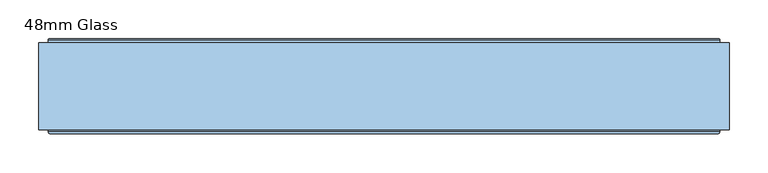
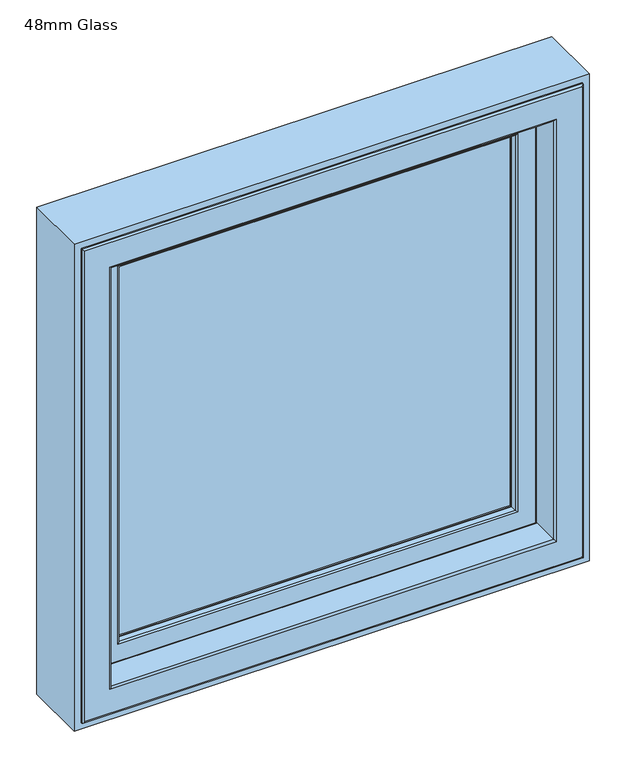
"""IFC4 building model written with IfcOpenShell, lengths in millimetres: window geometry, 48mm Glass."""

from ifc_helpers import new_model, si_unit, frame, origin, place, context, project, spatial, polyline, ellipse_curve, outline, extrude, source, transform, mapped, element, save
from ifc_brep_helpers import plane_surface, cylinder_surface, revolved_surface, advanced_brep


def window_48mm_glass_142c1bab(model_context):
    return source(origin(), model_context, "Body", "SolidModel", [
        extrude(outline(polyline([(354.0, 93.0110098), (-354.0, 93.0110098), (-354.0, 141.0110098), (354.0, 141.0110098), (354.0, 93.0110098)])), frame((0.0, 0.0, 890.0), z_axis=(0.0, 0.0, 1.0), x_axis=(1.0, 0.0, 0.0)), (0.0, 0.0, 1.0), 708.0),
        advanced_brep(
        [(396.5, 148.6168436, 1640.5), (396.5, 145.5999985, 1640.5), (396.5, 145.5999985, 847.5), (396.5, 148.6168436, 847.5), (399.0, 153.0, 1643.0), (400.0, 152.0, 1644.0), (400.0, 152.0, 844.0), (399.0, 153.0, 845.0), (340.0012615, 141.0, 1584.0012615), (340.0012615, 142.3599713, 1584.0012615), (340.0012615, 142.3599713, 903.9987385), (340.0012615, 141.0, 903.9987385), (358.3697055, 93.0110098, 1602.3697055), (364.2620126, 141.0, 1608.2620126), (364.2620126, 141.0, 879.7379874), (358.3697055, 93.0110098, 885.6302945), (340.0013518, 90.0110098, 1584.0013518), (340.0013518, 93.0110098, 1584.0013518), (340.0013518, 93.0110098, 903.9986482), (340.0013518, 90.0110098, 903.9986482), (340.0232044, 88.8030982, 1584.0232044), (341.001352, 90.0110098, 1585.001352), (341.001352, 90.0110098, 902.998648), (340.0232044, 88.8030982, 903.9767956), (341.8120427, 80.376265, 1585.8120427), (341.8120427, 80.376265, 902.1879573), (344.7464855, 78.0, 1588.7464855), (344.7464855, 78.0, 899.2535145), (377.5618051, 79.7562613, 1621.5618051), (375.5767128, 78.0, 1619.5767128), (375.5767128, 78.0, 868.4232872), (377.5618051, 79.7562613, 866.4381949), (379.5562854, 96.0, 1623.5562854), (379.5562854, 96.0, 864.4437146), (391.0, 145.5999985, 1635.0), (391.0, 96.0, 1635.0), (391.0, 96.0, 853.0), (391.0, 145.5999985, 853.0), (-396.5, 145.5999985, 847.5), (-396.5, 148.6168436, 847.5), (-400.0, 152.0, 844.0), (-399.0, 153.0, 845.0), (-340.0012615, 142.3599713, 903.9987385), (-340.0012615, 141.0, 903.9987385), (-364.2620126, 141.0, 879.7379874), (-358.3697055, 93.0110098, 885.6302945), (-340.0013518, 93.0110098, 903.9986482), (-340.0013518, 90.0110098, 903.9986482), (-341.001352, 90.0110098, 902.998648), (-340.0232044, 88.8030982, 903.9767956), (-341.8120427, 80.376265, 902.1879573), (-344.7464855, 78.0, 899.2535145), (-375.5767128, 78.0, 868.4232872), (-377.5618051, 79.7562613, 866.4381949), (-379.5562854, 96.0, 864.4437146), (-391.0, 96.0, 853.0), (-391.0, 145.5999985, 853.0), (-396.5, 145.5999985, 1640.5), (-396.5, 148.6168436, 1640.5), (-400.0, 152.0, 1644.0), (-399.0, 153.0, 1643.0), (-340.0012615, 142.3599713, 1584.0012615), (-340.0012615, 141.0, 1584.0012615), (-364.2620126, 141.0, 1608.2620126), (-358.3697055, 93.0110098, 1602.3697055), (-340.0013518, 93.0110098, 1584.0013518), (-340.0013518, 90.0110098, 1584.0013518), (-341.001352, 90.0110098, 1585.001352), (-340.0232044, 88.8030982, 1584.0232044), (-341.8120427, 80.376265, 1585.8120427), (-344.7464855, 78.0, 1588.7464855), (-375.5767128, 78.0, 1619.5767128), (-377.5618051, 79.7562613, 1621.5618051), (-379.5562854, 96.0, 1623.5562854), (-391.0, 96.0, 1635.0), (-391.0, 145.5999985, 1635.0), (406.1997151, 149.6865589, 837.8002849), (-406.1997151, 149.6865589, 837.8002849), (-406.1997151, 149.6865589, 1650.1997151), (406.1997151, 149.6865589, 1650.1997151), (400.0, 149.6865589, 1644.0), (-400.0, 149.6865589, 1644.0), (-400.0, 149.6865589, 844.0), (400.0, 149.6865589, 844.0), (406.1997151, 148.6168436, 1650.1997151), (406.1997151, 148.6168436, 837.8002849), (-406.1997151, 148.6168436, 837.8002849), (-406.1997151, 148.6168436, 1650.1997151), (342.8249234, 151.5957532, 1586.8249234), (344.5279664, 153.0, 1588.5279664), (344.5279664, 153.0, 899.4720336), (342.8249234, 151.5957532, 901.1750766), (-344.5279664, 153.0, 899.4720336), (-342.8249234, 151.5957532, 901.1750766), (-344.5279664, 153.0, 1588.5279664), (-342.8249234, 151.5957532, 1586.8249234)],
        [
            (0, 1),
            (1, 2),
            (2, 3),
            (3, 0),
            (4, 5, ellipse_curve(frame((399.0, 152.0, 1643.0), z_axis=(0.7071067811865475, 0.0, -0.7071067811865475), x_axis=(0.7071067811865474, 0.0, 0.7071067811865476)), 1.4142136, 1.0)),
            (5, 6),
            (6, 7, ellipse_curve(frame((399.0, 152.0, 845.0), z_axis=(0.7071067811865475, 0.0, 0.7071067811865475), x_axis=(-0.7071067811865474, 0.0, 0.7071067811865476)), 1.4142136, 1.0)),
            (7, 4),
            (8, 9),
            (9, 10),
            (10, 11),
            (11, 8),
            (12, 13),
            (13, 14),
            (14, 15),
            (15, 12),
            (16, 17),
            (17, 18),
            (18, 19),
            (19, 16),
            (20, 21, ellipse_curve(frame((341.001352, 89.0110098, 1585.001352), z_axis=(0.7071067811865475, 0.0, -0.7071067811865475), x_axis=(0.7071067811865474, 0.0, 0.7071067811865476)), 1.4142136, 1.0)),
            (21, 22),
            (22, 23, ellipse_curve(frame((341.001352, 89.0110098, 902.998648), z_axis=(0.7071067811865475, 0.0, 0.7071067811865475), x_axis=(-0.7071067811865474, 0.0, 0.7071067811865476)), 1.4142136, 1.0)),
            (23, 20),
            (24, 20),
            (23, 25),
            (25, 24),
            (26, 24, ellipse_curve(frame((344.7464855, 81.0, 1588.7464855), z_axis=(0.7071067811865475, 0.0, -0.7071067811865475), x_axis=(0.7071067811865474, 0.0, 0.7071067811865476)), 4.2426407, 3.0)),
            (25, 27, ellipse_curve(frame((344.7464855, 81.0, 899.2535145), z_axis=(0.7071067811865475, 0.0, 0.7071067811865475), x_axis=(-0.7071067811865474, 0.0, 0.7071067811865476)), 4.2426407, 3.0)),
            (27, 26),
            (28, 29, ellipse_curve(frame((375.5767128, 80.0, 1619.5767128), z_axis=(0.7071067811865475, 0.0, -0.7071067811865475), x_axis=(0.7071067811865474, 0.0, 0.7071067811865476)), 2.8284271, 2.0)),
            (29, 30),
            (30, 31, ellipse_curve(frame((375.5767128, 80.0, 868.4232872), z_axis=(0.7071067811865475, 0.0, 0.7071067811865475), x_axis=(-0.7071067811865474, 0.0, 0.7071067811865476)), 2.8284271, 2.0)),
            (31, 28),
            (32, 28),
            (31, 33),
            (33, 32),
            (34, 35),
            (35, 36),
            (36, 37),
            (37, 34),
            (2, 38),
            (38, 39),
            (39, 3),
            (6, 40),
            (40, 41, ellipse_curve(frame((-399.0, 152.0, 845.0), z_axis=(0.7071067811865475, 0.0, -0.7071067811865475), x_axis=(0.7071067811865476, 0.0, 0.7071067811865474)), 1.4142136, 1.0)),
            (41, 7),
            (10, 42),
            (42, 43),
            (43, 11),
            (14, 44),
            (44, 45),
            (45, 15),
            (18, 46),
            (46, 47),
            (47, 19),
            (22, 48),
            (48, 49, ellipse_curve(frame((-341.001352, 89.0110098, 902.998648), z_axis=(0.7071067811865475, 0.0, -0.7071067811865475), x_axis=(0.7071067811865476, 0.0, 0.7071067811865474)), 1.4142136, 1.0)),
            (49, 23),
            (49, 50),
            (50, 25),
            (50, 51, ellipse_curve(frame((-344.7464855, 81.0, 899.2535145), z_axis=(0.7071067811865475, 0.0, -0.7071067811865475), x_axis=(0.7071067811865476, 0.0, 0.7071067811865474)), 4.2426407, 3.0)),
            (51, 27),
            (30, 52),
            (52, 53, ellipse_curve(frame((-375.5767128, 80.0, 868.4232872), z_axis=(0.7071067811865475, 0.0, -0.7071067811865475), x_axis=(0.7071067811865476, 0.0, 0.7071067811865474)), 2.8284271, 2.0)),
            (53, 31),
            (53, 54),
            (54, 33),
            (36, 55),
            (55, 56),
            (56, 37),
            (38, 57),
            (57, 58),
            (58, 39),
            (40, 59),
            (59, 60, ellipse_curve(frame((-399.0, 152.0, 1643.0), z_axis=(-0.7071067811865475, 0.0, -0.7071067811865475), x_axis=(0.7071067811865474, 0.0, -0.7071067811865476)), 1.4142136, 1.0)),
            (60, 41),
            (42, 61),
            (61, 62),
            (62, 43),
            (44, 63),
            (63, 64),
            (64, 45),
            (46, 65),
            (65, 66),
            (66, 47),
            (48, 67),
            (67, 68, ellipse_curve(frame((-341.001352, 89.0110098, 1585.001352), z_axis=(-0.7071067811865475, 0.0, -0.7071067811865475), x_axis=(0.7071067811865474, 0.0, -0.7071067811865476)), 1.4142136, 1.0)),
            (68, 49),
            (68, 69),
            (69, 50),
            (69, 70, ellipse_curve(frame((-344.7464855, 81.0, 1588.7464855), z_axis=(-0.7071067811865475, 0.0, -0.7071067811865475), x_axis=(0.7071067811865474, 0.0, -0.7071067811865476)), 4.2426407, 3.0)),
            (70, 51),
            (52, 71),
            (71, 72, ellipse_curve(frame((-375.5767128, 80.0, 1619.5767128), z_axis=(-0.7071067811865475, 0.0, -0.7071067811865475), x_axis=(0.7071067811865474, 0.0, -0.7071067811865476)), 2.8284271, 2.0)),
            (72, 53),
            (72, 73),
            (73, 54),
            (55, 74),
            (74, 75),
            (75, 56),
            (1, 57),
            (75, 34),
            (0, 58),
            (76, 77),
            (77, 78),
            (78, 79),
            (79, 76),
            (80, 81),
            (81, 82),
            (82, 83),
            (83, 80),
            (59, 5),
            (4, 60),
            (61, 9),
            (8, 62),
            (13, 63),
            (12, 64),
            (17, 65),
            (16, 66),
            (21, 67),
            (20, 68),
            (24, 69),
            (26, 70),
            (29, 71),
            (28, 72),
            (32, 73),
            (35, 74),
            (79, 84),
            (84, 85),
            (85, 76),
            (5, 80),
            (83, 6),
            (85, 86),
            (86, 77),
            (82, 40),
            (86, 87),
            (87, 78),
            (81, 59),
            (84, 87),
            (88, 89, ellipse_curve(frame((344.7375329, 151.0110098, 1588.7375329), z_axis=(0.7071067811865475, 0.0, -0.7071067811865475), x_axis=(0.7071067811865474, 0.0, 0.7071067811865476)), 2.8284271, 2.0)),
            (89, 90),
            (90, 91, ellipse_curve(frame((344.7375329, 151.0110098, 899.2624671), z_axis=(0.7071067811865475, 0.0, 0.7071067811865475), x_axis=(-0.7071067811865474, 0.0, 0.7071067811865476)), 2.8284271, 2.0)),
            (91, 88),
            (9, 88),
            (91, 10),
            (90, 92),
            (92, 93, ellipse_curve(frame((-344.7375329, 151.0110098, 899.2624671), z_axis=(0.7071067811865475, 0.0, -0.7071067811865475), x_axis=(0.7071067811865476, 0.0, 0.7071067811865474)), 2.8284271, 2.0)),
            (93, 91),
            (93, 42),
            (92, 94),
            (94, 95, ellipse_curve(frame((-344.7375329, 151.0110098, 1588.7375329), z_axis=(-0.7071067811865475, 0.0, -0.7071067811865475), x_axis=(0.7071067811865474, 0.0, -0.7071067811865476)), 2.8284271, 2.0)),
            (95, 93),
            (95, 61),
            (89, 94),
            (88, 95),
        ],
        [
            plane_surface(frame((396.5, 145.5999985, 1640.5), z_axis=(1.0, 0.0, 0.0), x_axis=(0.0, 0.0, -1.0))),
            cylinder_surface(frame((399.0, 152.0, 1635.0), z_axis=(0.0, 0.0, 1.0), x_axis=(0.0, -1.0, 0.0)), 1.0),
            plane_surface(frame((340.0012615, 142.3599713, 1584.0012615), z_axis=(-1.0, 0.0, 0.0), x_axis=(0.0, 0.0, -1.0))),
            plane_surface(frame((364.2620126, 141.0, 1608.2620126), z_axis=(-0.9925461516413232, 0.12186934340513839, 0.0), x_axis=(0.0, 0.0, -1.0))),
            plane_surface(frame((340.0013518, 93.0110098, 1584.0013518), z_axis=(-1.0, 0.0, 0.0), x_axis=(0.0, 0.0, -1.0))),
            cylinder_surface(frame((341.001352, 89.0110098, 1635.0), z_axis=(0.0, 0.0, 1.0), x_axis=(0.0, -1.0, 0.0)), 1.0),
            plane_surface(frame((340.0232044, 88.8030982, 1584.0232044), z_axis=(-0.9782028159557521, -0.2076517538000511, 0.0), x_axis=(0.0, 0.0, -1.0))),
            cylinder_surface(frame((344.7464855, 81.0, 1635.0), z_axis=(0.0, 0.0, 1.0), x_axis=(0.0, -1.0, 0.0)), 3.0),
            cylinder_surface(frame((375.5767128, 80.0, 1635.0), z_axis=(0.0, 0.0, 1.0), x_axis=(0.0, -1.0, 0.0)), 2.0),
            plane_surface(frame((377.5618051, 79.7562613, 1621.5618051), z_axis=(0.9925461516416152, -0.12186934340276044, 0.0), x_axis=(0.0, 0.0, -1.0))),
            plane_surface(frame((391.0, 96.0, 1635.0), z_axis=(1.0, 0.0, 0.0), x_axis=(0.0, 0.0, -1.0))),
            plane_surface(frame((396.5, 145.5999985, 847.5), z_axis=(0.0, 0.0, -1.0), x_axis=(-1.0, 0.0, 0.0))),
            cylinder_surface(frame((391.0, 152.0, 845.0), z_axis=(1.0, 0.0, 0.0), x_axis=(0.0, -1.0, 0.0)), 1.0),
            plane_surface(frame((340.0012615, 142.3599713, 903.9987385), z_axis=(0.0, 0.0, 1.0), x_axis=(-1.0, 0.0, 0.0))),
            plane_surface(frame((364.2620126, 141.0, 879.7379874), z_axis=(0.0, 0.12186934340513839, 0.9925461516413232), x_axis=(-1.0, 0.0, 0.0))),
            plane_surface(frame((340.0013518, 93.0110098, 903.9986482), z_axis=(0.0, 0.0, 1.0), x_axis=(-1.0, 0.0, 0.0))),
            cylinder_surface(frame((391.0, 89.0110098, 902.998648), z_axis=(1.0, 0.0, 0.0), x_axis=(0.0, -1.0, 0.0)), 1.0),
            plane_surface(frame((340.0232044, 88.8030982, 903.9767956), z_axis=(0.0, -0.2076517538000511, 0.9782028159557521), x_axis=(-1.0, 0.0, 0.0))),
            cylinder_surface(frame((391.0, 81.0, 899.2535145), z_axis=(1.0, 0.0, 0.0), x_axis=(0.0, -1.0, 0.0)), 3.0),
            cylinder_surface(frame((391.0, 80.0, 868.4232872), z_axis=(1.0, 0.0, 0.0), x_axis=(0.0, -1.0, 0.0)), 2.0),
            plane_surface(frame((377.5618051, 79.7562613, 866.4381949), z_axis=(0.0, -0.12186934340276044, -0.9925461516416152), x_axis=(-1.0, 0.0, 0.0))),
            plane_surface(frame((391.0, 96.0, 853.0), z_axis=(0.0, 0.0, -1.0), x_axis=(-1.0, 0.0, 0.0))),
            plane_surface(frame((-396.5, 145.5999985, 847.5), z_axis=(-1.0, 0.0, 0.0), x_axis=(0.0, 0.0, 1.0))),
            cylinder_surface(frame((-399.0, 152.0, 853.0), z_axis=(0.0, 0.0, -1.0), x_axis=(0.0, -1.0, 0.0)), 1.0),
            plane_surface(frame((-340.0012615, 142.3599713, 903.9987385), z_axis=(1.0, 0.0, 0.0), x_axis=(0.0, 0.0, 1.0))),
            plane_surface(frame((-364.2620126, 141.0, 879.7379874), z_axis=(0.9925461516413232, 0.12186934340513839, 0.0), x_axis=(0.0, 0.0, 1.0))),
            plane_surface(frame((-340.0013518, 93.0110098, 903.9986482), z_axis=(1.0, 0.0, 0.0), x_axis=(0.0, 0.0, 1.0))),
            cylinder_surface(frame((-341.001352, 89.0110098, 853.0), z_axis=(0.0, 0.0, -1.0), x_axis=(0.0, -1.0, 0.0)), 1.0),
            plane_surface(frame((-340.0232044, 88.8030982, 903.9767956), z_axis=(0.9782028159557521, -0.2076517538000511, 0.0), x_axis=(0.0, 0.0, 1.0))),
            cylinder_surface(frame((-344.7464855, 81.0, 853.0), z_axis=(0.0, 0.0, -1.0), x_axis=(0.0, -1.0, 0.0)), 3.0),
            cylinder_surface(frame((-375.5767128, 80.0, 853.0), z_axis=(0.0, 0.0, -1.0), x_axis=(0.0, -1.0, 0.0)), 2.0),
            plane_surface(frame((-377.5618051, 79.7562613, 866.4381949), z_axis=(-0.9925461516416152, -0.12186934340276044, 0.0), x_axis=(0.0, 0.0, 1.0))),
            plane_surface(frame((-391.0, 96.0, 853.0), z_axis=(-1.0, 0.0, 0.0), x_axis=(0.0, 0.0, 1.0))),
            plane_surface(frame((-391.0, 145.5999985, 1635.0), z_axis=(0.0, -1.0, 0.0), x_axis=(1.0, 0.0, 0.0))),
            plane_surface(frame((-396.5, 145.5999985, 1640.5), z_axis=(0.0, 0.0, 1.0), x_axis=(1.0, 0.0, 0.0))),
            plane_surface(frame((-406.1997151, 149.6865589, 1650.1997151), z_axis=(0.0, 1.0, 0.0), x_axis=(1.0, 0.0, 0.0))),
            cylinder_surface(frame((-391.0, 152.0, 1643.0), z_axis=(-1.0, 0.0, 0.0), x_axis=(0.0, -1.0, 0.0)), 1.0),
            plane_surface(frame((-340.0012615, 142.3599713, 1584.0012615), z_axis=(0.0, 0.0, -1.0), x_axis=(1.0, 0.0, 0.0))),
            plane_surface(frame((-340.0012615, 141.0, 1584.0012615), z_axis=(0.0, -1.0, 0.0), x_axis=(1.0, 0.0, 0.0))),
            plane_surface(frame((-364.2620126, 141.0, 1608.2620126), z_axis=(0.0, 0.12186934340513839, -0.9925461516413232), x_axis=(1.0, 0.0, 0.0))),
            plane_surface(frame((-358.3697055, 93.0110098, 1602.3697055), z_axis=(0.0, 1.0, 0.0), x_axis=(1.0, 0.0, 0.0))),
            plane_surface(frame((-340.0013518, 93.0110098, 1584.0013518), z_axis=(0.0, 0.0, -1.0), x_axis=(1.0, 0.0, 0.0))),
            plane_surface(frame((-340.0013518, 90.0110098, 1584.0013518), z_axis=(0.0, -1.0, 0.0), x_axis=(1.0, 0.0, 0.0))),
            cylinder_surface(frame((-391.0, 89.0110098, 1585.001352), z_axis=(-1.0, 0.0, 0.0), x_axis=(0.0, -1.0, 0.0)), 1.0),
            plane_surface(frame((-340.0232044, 88.8030982, 1584.0232044), z_axis=(0.0, -0.2076517538000511, -0.9782028159557521), x_axis=(1.0, 0.0, 0.0))),
            cylinder_surface(frame((-391.0, 81.0, 1588.7464855), z_axis=(-1.0, 0.0, 0.0), x_axis=(0.0, -1.0, 0.0)), 3.0),
            plane_surface(frame((-344.7464855, 78.0, 1588.7464855), z_axis=(0.0, -1.0, 0.0), x_axis=(1.0, 0.0, 0.0))),
            cylinder_surface(frame((-391.0, 80.0, 1619.5767128), z_axis=(-1.0, 0.0, 0.0), x_axis=(0.0, -1.0, 0.0)), 2.0),
            plane_surface(frame((-377.5618051, 79.7562613, 1621.5618051), z_axis=(0.0, -0.12186934340276044, 0.9925461516416152), x_axis=(1.0, 0.0, 0.0))),
            plane_surface(frame((-379.5562854, 96.0, 1623.5562854), z_axis=(0.0, -1.0, 0.0), x_axis=(1.0, 0.0, 0.0))),
            plane_surface(frame((-391.0, 96.0, 1635.0), z_axis=(0.0, 0.0, 1.0), x_axis=(1.0, 0.0, 0.0))),
            plane_surface(frame((406.1997151, 148.6168436, 1650.1997151), z_axis=(1.0, 0.0, 0.0), x_axis=(0.0, 0.0, -1.0))),
            plane_surface(frame((400.0, 149.6865589, 1644.0), z_axis=(1.0, 0.0, 0.0), x_axis=(0.0, 0.0, -1.0))),
            plane_surface(frame((406.1997151, 148.6168436, 837.8002849), z_axis=(0.0, 0.0, -1.0), x_axis=(-1.0, 0.0, 0.0))),
            plane_surface(frame((400.0, 149.6865589, 844.0), z_axis=(0.0, 0.0, -1.0), x_axis=(-1.0, 0.0, 0.0))),
            plane_surface(frame((-406.1997151, 148.6168436, 837.8002849), z_axis=(-1.0, 0.0, 0.0), x_axis=(0.0, 0.0, 1.0))),
            plane_surface(frame((-400.0, 149.6865589, 844.0), z_axis=(-1.0, 0.0, 0.0), x_axis=(0.0, 0.0, 1.0))),
            plane_surface(frame((-396.5, 148.6168436, 1640.5), z_axis=(0.0, -1.0, 0.0), x_axis=(1.0, 0.0, 0.0))),
            plane_surface(frame((-406.1997151, 148.6168436, 1650.1997151), z_axis=(0.0, 0.0, 1.0), x_axis=(1.0, 0.0, 0.0))),
            plane_surface(frame((-400.0, 149.6865589, 1644.0), z_axis=(0.0, 0.0, 1.0), x_axis=(1.0, 0.0, 0.0))),
            cylinder_surface(frame((344.7375329, 151.0110098, 1635.0), z_axis=(0.0, 0.0, 1.0), x_axis=(0.0, -1.0, 0.0)), 2.0),
            plane_surface(frame((342.8249234, 151.5957532, 1586.8249234), z_axis=(-0.9563047559630313, 0.2923717047227505, 0.0), x_axis=(0.0, 0.0, -1.0))),
            cylinder_surface(frame((391.0, 151.0110098, 899.2624671), z_axis=(1.0, 0.0, 0.0), x_axis=(0.0, -1.0, 0.0)), 2.0),
            plane_surface(frame((342.8249234, 151.5957532, 901.1750766), z_axis=(0.0, 0.2923717047227505, 0.9563047559630313), x_axis=(-1.0, 0.0, 0.0))),
            cylinder_surface(frame((-344.7375329, 151.0110098, 853.0), z_axis=(0.0, 0.0, -1.0), x_axis=(0.0, -1.0, 0.0)), 2.0),
            plane_surface(frame((-342.8249234, 151.5957532, 901.1750766), z_axis=(0.9563047559630313, 0.2923717047227505, 0.0), x_axis=(0.0, 0.0, 1.0))),
            plane_surface(frame((-399.0, 153.0, 1643.0), z_axis=(0.0, 1.0, 0.0), x_axis=(1.0, 0.0, 0.0))),
            cylinder_surface(frame((-391.0, 151.0110098, 1588.7375329), z_axis=(-1.0, 0.0, 0.0), x_axis=(0.0, -1.0, 0.0)), 2.0),
            plane_surface(frame((-342.8249234, 151.5957532, 1586.8249234), z_axis=(0.0, 0.2923717047227505, -0.9563047559630313), x_axis=(1.0, 0.0, 0.0))),
        ],
        [
            (0, [[1, 2, 3, 4]]),
            (1, [[5, 6, 7, 8]]),
            (2, [[9, 10, 11, 12]]),
            (3, [[13, 14, 15, 16]]),
            (4, [[17, 18, 19, 20]]),
            (5, [[21, 22, 23, 24]]),
            (6, [[25, -24, 26, 27]]),
            (7, [[28, -27, 29, 30]]),
            (8, [[31, 32, 33, 34]]),
            (9, [[35, -34, 36, 37]]),
            (10, [[38, 39, 40, 41]]),
            (11, [[-3, 42, 43, 44]]),
            (12, [[-7, 45, 46, 47]]),
            (13, [[-11, 48, 49, 50]]),
            (14, [[-15, 51, 52, 53]]),
            (15, [[-19, 54, 55, 56]]),
            (16, [[-23, 57, 58, 59]]),
            (17, [[-26, -59, 60, 61]]),
            (18, [[-29, -61, 62, 63]]),
            (19, [[-33, 64, 65, 66]]),
            (20, [[-36, -66, 67, 68]]),
            (21, [[-40, 69, 70, 71]]),
            (22, [[-43, 72, 73, 74]]),
            (23, [[-46, 75, 76, 77]]),
            (24, [[-49, 78, 79, 80]]),
            (25, [[-52, 81, 82, 83]]),
            (26, [[-55, 84, 85, 86]]),
            (27, [[-58, 87, 88, 89]]),
            (28, [[-60, -89, 90, 91]]),
            (29, [[-62, -91, 92, 93]]),
            (30, [[-65, 94, 95, 96]]),
            (31, [[-67, -96, 97, 98]]),
            (32, [[-70, 99, 100, 101]]),
            (33, [[102, -72, -42, -2], [-71, -101, 103, -41]]),
            (34, [[-73, -102, -1, 104]]),
            (35, [[105, 106, 107, 108], [109, 110, 111, 112]]),
            (36, [[-76, 113, -5, 114]]),
            (37, [[-79, 115, -9, 116]]),
            (38, [[117, -81, -51, -14], [-50, -80, -116, -12]]),
            (39, [[-82, -117, -13, 118]]),
            (40, [[-53, -83, -118, -16], [119, -84, -54, -18]]),
            (41, [[-85, -119, -17, 120]]),
            (42, [[121, -87, -57, -22], [-56, -86, -120, -20]]),
            (43, [[-88, -121, -21, 122]]),
            (44, [[-90, -122, -25, 123]]),
            (45, [[-92, -123, -28, 124]]),
            (46, [[125, -94, -64, -32], [-63, -93, -124, -30]]),
            (47, [[-95, -125, -31, 126]]),
            (48, [[-97, -126, -35, 127]]),
            (49, [[128, -99, -69, -39], [-68, -98, -127, -37]]),
            (50, [[-100, -128, -38, -103]]),
            (51, [[129, 130, 131, -108]]),
            (52, [[132, -112, 133, -6]]),
            (53, [[-131, 134, 135, -105]]),
            (54, [[-133, -111, 136, -45]]),
            (55, [[-135, 137, 138, -106]]),
            (56, [[-136, -110, 139, -75]]),
            (57, [[140, -137, -134, -130], [-44, -74, -104, -4]]),
            (58, [[-138, -140, -129, -107]]),
            (59, [[-139, -109, -132, -113]]),
            (60, [[141, 142, 143, 144]]),
            (61, [[145, -144, 146, -10]]),
            (62, [[-143, 147, 148, 149]]),
            (63, [[-146, -149, 150, -48]]),
            (64, [[-148, 151, 152, 153]]),
            (65, [[-150, -153, 154, -78]]),
            (66, [[-47, -77, -114, -8], [155, -151, -147, -142]]),
            (67, [[-152, -155, -141, 156]]),
            (68, [[-154, -156, -145, -115]]),
        ],
    ),
        advanced_brep(
        [(-383.5, 91.0, 1627.5), (-382.0, 89.5, 1626.0), (-382.0, 89.5, 862.0), (-383.5, 91.0, 860.5), (-382.0, 35.0, 1626.0), (-382.0, 35.0, 862.0), (382.0, 89.5, 862.0), (383.5, 91.0, 860.5), (398.6498733, 91.0, 1642.6498733), (398.6498733, 91.0, 845.3501267), (-398.6498733, 91.0, 845.3501267), (-398.6498733, 91.0, 1642.6498733), (383.5, 91.0, 1627.5), (-400.1386925, 92.317196, 1644.1386925), (-400.1386925, 92.317196, 843.8613075), (400.1386925, 92.317196, 843.8613075), (-406.7857488, 146.453125, 1650.7857488), (-406.7857488, 146.453125, 837.2142512), (406.7857488, 146.453125, 837.2142512), (407.6, 146.453125, 1651.6), (407.6, 146.453125, 836.4), (-407.6, 146.453125, 836.4), (-407.6, 146.453125, 1651.6), (406.7857488, 146.453125, 1650.7857488), (-407.6, 153.0, 1651.6), (-407.6, 153.0, 836.4), (407.6, 153.0, 836.4), (-408.6, 154.0, 1652.6), (-408.6, 154.0, 835.4), (408.6, 154.0, 835.4), (431.0, 154.0, 1675.0), (431.0, 154.0, 813.0), (-431.0, 154.0, 813.0), (-431.0, 154.0, 1675.0), (408.6, 154.0, 1652.6), (-432.0, 153.0, 1676.0), (-432.0, 153.0, 812.0), (432.0, 153.0, 812.0), (-432.0, 35.0, 1676.0), (-432.0, 35.0, 812.0), (432.0, 35.0, 812.0), (-429.0, 32.0, 1673.0), (-429.0, 32.0, 815.0), (429.0, 32.0, 815.0), (429.0, 32.0, 1673.0), (385.0, 32.0, 1629.0), (385.0, 32.0, 859.0), (-385.0, 32.0, 859.0), (-385.0, 32.0, 1629.0), (382.0, 35.0, 862.0), (382.0, 89.5, 1626.0), (400.1386925, 92.317196, 1644.1386925), (407.6, 153.0, 1651.6), (432.0, 153.0, 1676.0), (432.0, 35.0, 1676.0), (382.0, 35.0, 1626.0)],
        [
            (0, 1, ellipse_curve(frame((-383.5, 89.5, 1627.5), z_axis=(-0.7071067811865475, 0.0, -0.7071067811865475), x_axis=(-0.7071067811865474, 0.0, 0.7071067811865476)), 2.1213203, 1.5)),
            (1, 2),
            (2, 3, ellipse_curve(frame((-383.5, 89.5, 860.5), z_axis=(-0.7071067811865475, 0.0, 0.7071067811865475), x_axis=(0.7071067811865474, 0.0, 0.7071067811865476)), 2.1213203, 1.5)),
            (3, 0),
            (1, 4),
            (4, 5),
            (5, 2),
            (2, 6),
            (6, 7, ellipse_curve(frame((383.5, 89.5, 860.5), z_axis=(-0.7071067811865475, 0.0, -0.7071067811865475), x_axis=(-0.7071067811865476, 0.0, 0.7071067811865474)), 2.1213203, 1.5)),
            (7, 3),
            (8, 9),
            (9, 10),
            (10, 11),
            (11, 8),
            (7, 12),
            (12, 0),
            (13, 11, ellipse_curve(frame((-398.6498733, 92.5, 1642.6498733), z_axis=(0.7071067811865475, 0.0, 0.7071067811865475), x_axis=(0.7071067811865474, 0.0, -0.7071067811865476)), 2.1213203, 1.5)),
            (10, 14, ellipse_curve(frame((-398.6498733, 92.5, 845.3501267), z_axis=(0.7071067811865475, 0.0, -0.7071067811865475), x_axis=(-0.7071067811865474, 0.0, -0.7071067811865476)), 2.1213203, 1.5)),
            (14, 13),
            (9, 15, ellipse_curve(frame((398.6498733, 92.5, 845.3501267), z_axis=(0.7071067811865475, 0.0, 0.7071067811865475), x_axis=(0.7071067811865476, 0.0, -0.7071067811865474)), 2.1213203, 1.5)),
            (15, 14),
            (16, 13),
            (14, 17),
            (17, 16),
            (15, 18),
            (18, 17),
            (19, 20),
            (20, 21),
            (21, 22),
            (22, 19),
            (18, 23),
            (23, 16),
            (24, 22),
            (21, 25),
            (25, 24),
            (20, 26),
            (26, 25),
            (27, 24, ellipse_curve(frame((-408.6, 153.0, 1652.6), z_axis=(-0.7071067811865475, 0.0, -0.7071067811865475), x_axis=(-0.7071067811865474, 0.0, 0.7071067811865476)), 1.4142136, 1.0)),
            (25, 28, ellipse_curve(frame((-408.6, 153.0, 835.4), z_axis=(-0.7071067811865475, 0.0, 0.7071067811865475), x_axis=(0.7071067811865474, 0.0, 0.7071067811865476)), 1.4142136, 1.0)),
            (28, 27),
            (26, 29, ellipse_curve(frame((408.6, 153.0, 835.4), z_axis=(-0.7071067811865475, 0.0, -0.7071067811865475), x_axis=(-0.7071067811865476, 0.0, 0.7071067811865474)), 1.4142136, 1.0)),
            (29, 28),
            (30, 31),
            (31, 32),
            (32, 33),
            (33, 30),
            (29, 34),
            (34, 27),
            (35, 33, ellipse_curve(frame((-431.0, 153.0, 1675.0), z_axis=(-0.7071067811865475, 0.0, -0.7071067811865475), x_axis=(-0.7071067811865474, 0.0, 0.7071067811865476)), 1.4142136, 1.0)),
            (32, 36, ellipse_curve(frame((-431.0, 153.0, 813.0), z_axis=(-0.7071067811865475, 0.0, 0.7071067811865475), x_axis=(0.7071067811865474, 0.0, 0.7071067811865476)), 1.4142136, 1.0)),
            (36, 35),
            (31, 37, ellipse_curve(frame((431.0, 153.0, 813.0), z_axis=(-0.7071067811865475, 0.0, -0.7071067811865475), x_axis=(-0.7071067811865476, 0.0, 0.7071067811865474)), 1.4142136, 1.0)),
            (37, 36),
            (38, 35),
            (36, 39),
            (39, 38),
            (37, 40),
            (40, 39),
            (41, 38, ellipse_curve(frame((-429.0, 35.0, 1673.0), z_axis=(-0.7071067811865475, 0.0, -0.7071067811865475), x_axis=(-0.7071067811865474, 0.0, 0.7071067811865476)), 4.2426407, 3.0)),
            (39, 42, ellipse_curve(frame((-429.0, 35.0, 815.0), z_axis=(-0.7071067811865475, 0.0, 0.7071067811865475), x_axis=(0.7071067811865474, 0.0, 0.7071067811865476)), 4.2426407, 3.0)),
            (42, 41),
            (40, 43, ellipse_curve(frame((429.0, 35.0, 815.0), z_axis=(-0.7071067811865475, 0.0, -0.7071067811865475), x_axis=(-0.7071067811865476, 0.0, 0.7071067811865474)), 4.2426407, 3.0)),
            (43, 42),
            (43, 44),
            (44, 41),
            (45, 46),
            (46, 47),
            (47, 48),
            (48, 45),
            (4, 48, ellipse_curve(frame((-385.0, 35.0, 1629.0), z_axis=(-0.7071067811865475, 0.0, -0.7071067811865475), x_axis=(-0.7071067811865474, 0.0, 0.7071067811865476)), 4.2426407, 3.0)),
            (47, 5, ellipse_curve(frame((-385.0, 35.0, 859.0), z_axis=(-0.7071067811865475, 0.0, 0.7071067811865475), x_axis=(0.7071067811865474, 0.0, 0.7071067811865476)), 4.2426407, 3.0)),
            (46, 49, ellipse_curve(frame((385.0, 35.0, 859.0), z_axis=(-0.7071067811865475, 0.0, -0.7071067811865475), x_axis=(-0.7071067811865476, 0.0, 0.7071067811865474)), 4.2426407, 3.0)),
            (49, 5),
            (49, 6),
            (6, 50),
            (50, 12, ellipse_curve(frame((383.5, 89.5, 1627.5), z_axis=(0.7071067811865475, 0.0, -0.7071067811865475), x_axis=(-0.7071067811865474, 0.0, -0.7071067811865476)), 2.1213203, 1.5)),
            (8, 51, ellipse_curve(frame((398.6498733, 92.5, 1642.6498733), z_axis=(-0.7071067811865475, 0.0, 0.7071067811865475), x_axis=(0.7071067811865474, 0.0, 0.7071067811865476)), 2.1213203, 1.5)),
            (51, 15),
            (51, 23),
            (19, 52),
            (52, 26),
            (52, 34, ellipse_curve(frame((408.6, 153.0, 1652.6), z_axis=(0.7071067811865475, 0.0, -0.7071067811865475), x_axis=(-0.7071067811865474, 0.0, -0.7071067811865476)), 1.4142136, 1.0)),
            (30, 53, ellipse_curve(frame((431.0, 153.0, 1675.0), z_axis=(0.7071067811865475, 0.0, -0.7071067811865475), x_axis=(-0.7071067811865474, 0.0, -0.7071067811865476)), 1.4142136, 1.0)),
            (53, 37),
            (53, 54),
            (54, 40),
            (54, 44, ellipse_curve(frame((429.0, 35.0, 1673.0), z_axis=(0.7071067811865475, 0.0, -0.7071067811865475), x_axis=(-0.7071067811865474, 0.0, -0.7071067811865476)), 4.2426407, 3.0)),
            (45, 55, ellipse_curve(frame((385.0, 35.0, 1629.0), z_axis=(0.7071067811865475, 0.0, -0.7071067811865475), x_axis=(-0.7071067811865474, 0.0, -0.7071067811865476)), 4.2426407, 3.0)),
            (55, 49),
            (55, 50),
            (50, 1),
            (13, 51),
            (24, 52),
            (35, 53),
            (38, 54),
            (4, 55),
        ],
        [
            cylinder_surface(frame((-383.5, 89.5, 1688.0), z_axis=(0.0, 0.0, 1.0), x_axis=(0.0, 1.0, 0.0)), 1.5),
            plane_surface(frame((-382.0, 35.0, 1626.0), z_axis=(1.0, 0.0, 0.0), x_axis=(0.0, 0.0, -1.0))),
            cylinder_surface(frame((-444.0, 89.5, 860.5), z_axis=(-1.0, 0.0, 0.0), x_axis=(0.0, 1.0, 0.0)), 1.5),
            plane_surface(frame((383.5, 91.0, 860.5), z_axis=(0.0, 1.0, 0.0), x_axis=(0.0, 0.0, 1.0))),
            revolved_surface(polyline([(-398.6498733, 94.0, 843.8501267308013), (-398.6498733, 94.0, 1644.1498732691987)]), (-398.6498733, 92.5, 1688.0), (0.0, 0.0, -1.0)),
            revolved_surface(polyline([(400.1498732691988, 94.0, 845.3501267), (-400.1498732691987, 94.0, 845.3501267)]), (-444.0, 92.5, 845.3501267), (1.0, 0.0, 0.0)),
            plane_surface(frame((-400.1386925, 92.317196, 1644.1386925), z_axis=(0.9925461516413234, 0.12186934340513697, 0.0), x_axis=(0.0, 0.0, -1.0))),
            plane_surface(frame((-400.1386925, 92.317196, 843.8613075), z_axis=(0.0, 0.12186934340513697, 0.9925461516413234), x_axis=(1.0, 0.0, 0.0))),
            plane_surface(frame((406.7857488, 146.453125, 837.2142512), z_axis=(0.0, 1.0, 0.0), x_axis=(0.0, 0.0, 1.0))),
            plane_surface(frame((-407.6, 146.453125, 1651.6), z_axis=(1.0, 0.0, 0.0), x_axis=(0.0, 0.0, -1.0))),
            plane_surface(frame((-407.6, 146.453125, 836.4), z_axis=(0.0, 0.0, 1.0), x_axis=(1.0, 0.0, 0.0))),
            cylinder_surface(frame((-408.6, 153.0, 1688.0), z_axis=(0.0, 0.0, 1.0), x_axis=(0.0, 1.0, 0.0)), 1.0),
            cylinder_surface(frame((-444.0, 153.0, 835.4), z_axis=(-1.0, 0.0, 0.0), x_axis=(0.0, 1.0, 0.0)), 1.0),
            plane_surface(frame((408.6, 154.0, 835.4), z_axis=(0.0, 1.0, 0.0), x_axis=(0.0, 0.0, 1.0))),
            cylinder_surface(frame((-431.0, 153.0, 1688.0), z_axis=(0.0, 0.0, 1.0), x_axis=(0.0, 1.0, 0.0)), 1.0),
            cylinder_surface(frame((-444.0, 153.0, 813.0), z_axis=(-1.0, 0.0, 0.0), x_axis=(0.0, 1.0, 0.0)), 1.0),
            plane_surface(frame((-432.0, 153.0, 1676.0), z_axis=(-1.0, 0.0, 0.0), x_axis=(0.0, 0.0, -1.0))),
            plane_surface(frame((-432.0, 153.0, 812.0), z_axis=(0.0, 0.0, -1.0), x_axis=(1.0, 0.0, 0.0))),
            cylinder_surface(frame((-429.0, 35.0, 1688.0), z_axis=(0.0, 0.0, 1.0), x_axis=(0.0, 1.0, 0.0)), 3.0),
            cylinder_surface(frame((-444.0, 35.0, 815.0), z_axis=(-1.0, 0.0, 0.0), x_axis=(0.0, 1.0, 0.0)), 3.0),
            plane_surface(frame((429.0, 32.0, 815.0), z_axis=(0.0, -1.0, 0.0), x_axis=(0.0, 0.0, 1.0))),
            cylinder_surface(frame((-385.0, 35.0, 1688.0), z_axis=(0.0, 0.0, 1.0), x_axis=(0.0, 1.0, 0.0)), 3.0),
            cylinder_surface(frame((-444.0, 35.0, 859.0), z_axis=(-1.0, 0.0, 0.0), x_axis=(0.0, 1.0, 0.0)), 3.0),
            plane_surface(frame((-382.0, 35.0, 862.0), z_axis=(0.0, 0.0, 1.0), x_axis=(1.0, 0.0, 0.0))),
            cylinder_surface(frame((383.5, 89.5, 800.0), z_axis=(0.0, 0.0, -1.0), x_axis=(0.0, 1.0, 0.0)), 1.5),
            revolved_surface(polyline([(398.6498733, 94.0, 1644.149873269199), (398.6498733, 94.0, 843.8501267308013)]), (398.6498733, 92.5, 800.0), (0.0, 0.0, 1.0)),
            plane_surface(frame((400.1386925, 92.317196, 843.8613075), z_axis=(-0.9925461516413234, 0.12186934340513697, 0.0), x_axis=(0.0, 0.0, 1.0))),
            plane_surface(frame((407.6, 146.453125, 836.4), z_axis=(-1.0, 0.0, 0.0), x_axis=(0.0, 0.0, 1.0))),
            cylinder_surface(frame((408.6, 153.0, 800.0), z_axis=(0.0, 0.0, -1.0), x_axis=(0.0, 1.0, 0.0)), 1.0),
            cylinder_surface(frame((431.0, 153.0, 800.0), z_axis=(0.0, 0.0, -1.0), x_axis=(0.0, 1.0, 0.0)), 1.0),
            plane_surface(frame((432.0, 153.0, 812.0), z_axis=(1.0, 0.0, 0.0), x_axis=(0.0, 0.0, 1.0))),
            cylinder_surface(frame((429.0, 35.0, 800.0), z_axis=(0.0, 0.0, -1.0), x_axis=(0.0, 1.0, 0.0)), 3.0),
            cylinder_surface(frame((385.0, 35.0, 800.0), z_axis=(0.0, 0.0, -1.0), x_axis=(0.0, 1.0, 0.0)), 3.0),
            plane_surface(frame((382.0, 35.0, 862.0), z_axis=(-1.0, 0.0, 0.0), x_axis=(0.0, 0.0, 1.0))),
            cylinder_surface(frame((444.0, 89.5, 1627.5), z_axis=(1.0, 0.0, 0.0), x_axis=(0.0, 1.0, 0.0)), 1.5),
            revolved_surface(polyline([(-400.1498732691988, 94.0, 1642.6498733), (400.1498732691987, 94.0, 1642.6498733)]), (444.0, 92.5, 1642.6498733), (-1.0, 0.0, 0.0)),
            plane_surface(frame((400.1386925, 92.317196, 1644.1386925), z_axis=(0.0, 0.12186934340513697, -0.9925461516413234), x_axis=(-1.0, 0.0, 0.0))),
            plane_surface(frame((407.6, 146.453125, 1651.6), z_axis=(0.0, 0.0, -1.0), x_axis=(-1.0, 0.0, 0.0))),
            cylinder_surface(frame((444.0, 153.0, 1652.6), z_axis=(1.0, 0.0, 0.0), x_axis=(0.0, 1.0, 0.0)), 1.0),
            cylinder_surface(frame((444.0, 153.0, 1675.0), z_axis=(1.0, 0.0, 0.0), x_axis=(0.0, 1.0, 0.0)), 1.0),
            plane_surface(frame((432.0, 153.0, 1676.0), z_axis=(0.0, 0.0, 1.0), x_axis=(-1.0, 0.0, 0.0))),
            cylinder_surface(frame((444.0, 35.0, 1673.0), z_axis=(1.0, 0.0, 0.0), x_axis=(0.0, 1.0, 0.0)), 3.0),
            cylinder_surface(frame((444.0, 35.0, 1629.0), z_axis=(1.0, 0.0, 0.0), x_axis=(0.0, 1.0, 0.0)), 3.0),
            plane_surface(frame((382.0, 35.0, 1626.0), z_axis=(0.0, 0.0, -1.0), x_axis=(-1.0, 0.0, 0.0))),
        ],
        [
            (0, [[1, 2, 3, 4]]),
            (1, [[5, 6, 7, -2]]),
            (2, [[-3, 8, 9, 10]]),
            (3, [[11, 12, 13, 14], [-4, -10, 15, 16]]),
            (4, [[17, -13, 18, 19]]),
            (5, [[-18, -12, 20, 21]]),
            (6, [[22, -19, 23, 24]]),
            (7, [[-23, -21, 25, 26]]),
            (8, [[27, 28, 29, 30], [-24, -26, 31, 32]]),
            (9, [[33, -29, 34, 35]]),
            (10, [[-34, -28, 36, 37]]),
            (11, [[38, -35, 39, 40]]),
            (12, [[-39, -37, 41, 42]]),
            (13, [[43, 44, 45, 46], [-40, -42, 47, 48]]),
            (14, [[49, -45, 50, 51]]),
            (15, [[-50, -44, 52, 53]]),
            (16, [[54, -51, 55, 56]]),
            (17, [[-55, -53, 57, 58]]),
            (18, [[59, -56, 60, 61]]),
            (19, [[-60, -58, 62, 63]]),
            (20, [[-61, -63, 64, 65], [66, 67, 68, 69]]),
            (21, [[70, -68, 71, -6]]),
            (22, [[-71, -67, 72, 73]]),
            (23, [[-7, -73, 74, -8]]),
            (24, [[-9, 75, 76, -15]]),
            (25, [[-20, -11, 77, 78]]),
            (26, [[-25, -78, 79, -31]]),
            (27, [[-36, -27, 80, 81]]),
            (28, [[-41, -81, 82, -47]]),
            (29, [[-52, -43, 83, 84]]),
            (30, [[-57, -84, 85, 86]]),
            (31, [[-62, -86, 87, -64]]),
            (32, [[-72, -66, 88, 89]]),
            (33, [[-74, -89, 90, -75]]),
            (34, [[-76, 91, -1, -16]]),
            (35, [[-77, -14, -17, 92]]),
            (36, [[-79, -92, -22, -32]]),
            (37, [[-80, -30, -33, 93]]),
            (38, [[-82, -93, -38, -48]]),
            (39, [[-83, -46, -49, 94]]),
            (40, [[-85, -94, -54, 95]]),
            (41, [[-87, -95, -59, -65]]),
            (42, [[-88, -69, -70, 96]]),
            (43, [[-90, -96, -5, -91]]),
        ],
    ),
        extrude(outline(polyline([(1688.0, -444.0), (800.0, -444.0), (800.0, 444.0), (1688.0, 444.0), (1688.0, -444.0)]), holes=[polyline([(1676.0, 432.0), (812.0, 432.0), (812.0, -432.0), (1676.0, -432.0), (1676.0, 432.0)])]), frame((0.0, 37.0, 0.0), z_axis=(0.0, 1.0, 0.0), x_axis=(0.0, 0.0, 1.0)), (0.0, 0.0, 1.0), 112.0),
    ])


if __name__ == "__main__":
    model = new_model("IFC4")
    model_context = context("Model", 3, world=origin())
    ifc_project = project(units=[si_unit("LENGTHUNIT", "METRE", prefix="MILLI")], contexts=[model_context])
    site = spatial("IfcSite", under=ifc_project)
    building = spatial("IfcBuilding", under=site)
    placement = place(None, origin())
    window_48mm_glass_shape = window_48mm_glass_142c1bab(model_context)
    element("IfcWindow", 1, ObjectType="48mm Glass", at=placement, inside=building, context=model_context, shape_type="MappedRepresentation", body=[
        mapped(window_48mm_glass_shape, transform((0.0, 0.0, 0.0), x_axis=(1.0, 0.0, 0.0), y_axis=(0.0, 1.0, 0.0), z_axis=(0.0, 0.0, 1.0))),
    ])
    save(model, "model.ifc")
